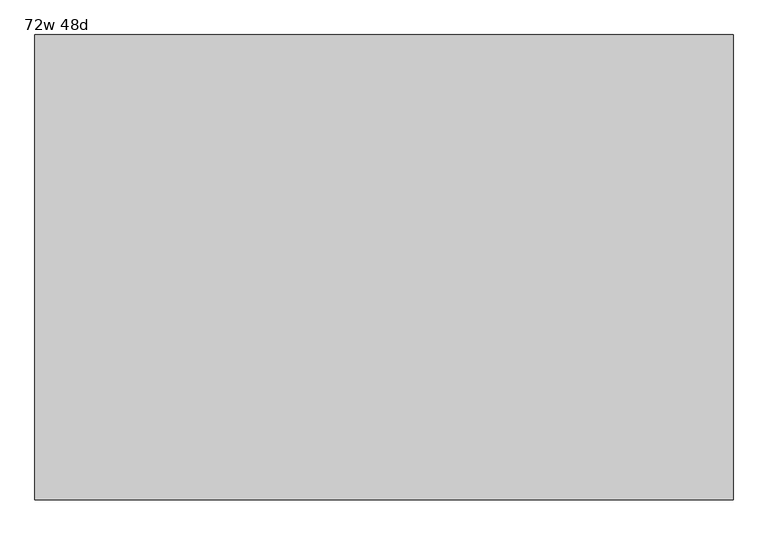
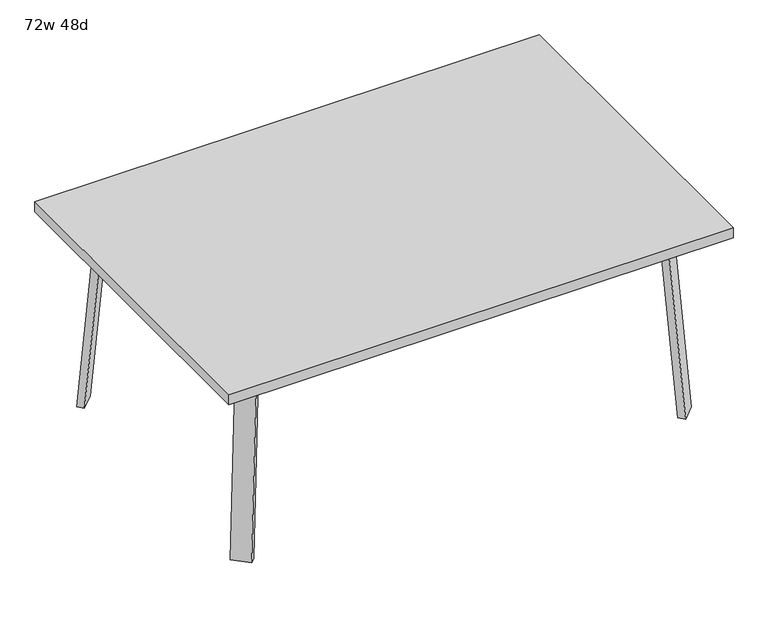
"""IFC4 building model written with IfcOpenShell, lengths in millimetres: furniture geometry, 72w 48d."""

from ifc_helpers import new_model, si_unit, point, frame, frame_2d, origin, place, context, project, spatial, polyline, circle_curve, trimmed, segment, composite_curve, outline, extrude, faceted_brep, source, transform, mapped, element, save


def furniture_72w_48d_a85c133a(model_context):
    return source(origin(), model_context, "Body", "SolidModel", [
        faceted_brep([(606.2753042, -426.4920519, 695.325), (645.7884312, -386.978925, 695.325), (700.9047531, -442.0952469, 695.325), (694.2631053, -448.7368947, 695.325), (633.2160726, -453.4328203, 695.325), (753.5368947, -389.4631053, 695.325), (747.6020849, -395.3979151, 695.325), (692.485763, -340.2815931, 695.325), (731.9988899, -300.7684662, 695.325), (758.9396583, -327.7092346, 695.325), (606.2753042, -426.4920519, 698.5), (633.2160726, -453.4328203, 698.5), (694.2631053, -448.7368947, 698.5), (753.5368947, -389.4631053, 698.5), (758.9396583, -327.7092346, 698.5), (731.9988899, -300.7684662, 698.5), (700.9047531, -442.0952469, 673.1), (747.6020849, -395.3979151, 673.1), (656.0034725, -397.1939663, 673.1), (702.7008043, -350.4966345, 673.1)], [[[0, 1, 2, 3, 4]], [[5, 6, 7, 8, 9]], [[10, 11, 12, 13, 14, 15]], [[4, 11, 10, 0]], [[3, 12, 11, 4]], [[12, 3, 2, 16, 17, 6, 5, 13]], [[9, 14, 13, 5]], [[8, 15, 14, 9]], [[15, 8, 7, 1, 0, 10]], [[2, 1, 18, 16]], [[7, 6, 17, 19]], [[18, 19, 17, 16]], [[1, 7, 19, 18]]]),
        extrude(outline(composite_curve([segment(polyline([(-698.9257667, 0.0), (-704.4601563, 63.2583633), (-679.156811, 65.4721192), (-677.172355, 42.7896831)]), True, "CONTINUOUS"), segment(trimmed(circle_curve(frame_2d((-658.194846, 44.45)), 19.05), [point((-677.172355, 42.7896831))], [point((-658.194846, 25.4))], True, "CARTESIAN"), True, "CONTINUOUS"), segment(polyline([(-658.194846, 25.4), (0.0201778, 25.4), (2.2423899, 0.0), (-698.9257667, 0.0)]), True, "CONTINUOUS")], self_intersect=False)), frame((787.1792647, -531.7706733, 2.2338569), z_axis=(0.7071067811865512, 0.707106781186544, 0.0), x_axis=(0.06162841671622733, -0.06162841671621349, -0.9961946980917454)), (0.0, 0.0, 1.0), 69.85),
        faceted_brep([(606.2753042, 426.4920519, 695.325), (633.2160726, 453.4328203, 695.325), (694.2631053, 448.7368947, 695.325), (700.9047531, 442.0952469, 695.325), (645.7884312, 386.978925, 695.325), (753.5368947, 389.4631053, 695.325), (758.9396583, 327.7092346, 695.325), (731.9988899, 300.7684662, 695.325), (692.485763, 340.2815931, 695.325), (747.6020849, 395.3979151, 695.325), (606.2753042, 426.4920519, 698.5), (731.9988899, 300.7684662, 698.5), (758.9396583, 327.7092346, 698.5), (753.5368947, 389.4631053, 698.5), (694.2631053, 448.7368947, 698.5), (633.2160726, 453.4328203, 698.5), (747.6020849, 395.3979151, 673.1), (700.9047531, 442.0952469, 673.1), (656.0034725, 397.1939663, 673.1), (702.7008043, 350.4966345, 673.1)], [[[0, 1, 2, 3, 4]], [[5, 6, 7, 8, 9]], [[10, 11, 12, 13, 14, 15]], [[1, 0, 10, 15]], [[2, 1, 15, 14]], [[14, 13, 5, 9, 16, 17, 3, 2]], [[6, 5, 13, 12]], [[7, 6, 12, 11]], [[11, 10, 0, 4, 8, 7]], [[3, 17, 18, 4]], [[8, 19, 16, 9]], [[18, 17, 16, 19]], [[4, 18, 19, 8]]]),
        extrude(outline(composite_curve([segment(polyline([(698.9257667, 0.0), (704.4601563, -63.2583633), (679.156811, -65.4721192), (677.172355, -42.7896831)]), True, "CONTINUOUS"), segment(trimmed(circle_curve(frame_2d((658.194846, -44.45)), 19.05), [point((677.172355, -42.7896831))], [point((658.194846, -25.4))], True, "CARTESIAN"), True, "CONTINUOUS"), segment(polyline([(658.194846, -25.4), (-0.0201778, -25.4), (-2.2423899, 0.0), (698.9257667, 0.0)]), True, "CONTINUOUS")], self_intersect=False)), frame((836.5706733, 482.3792647, 2.2338569), z_axis=(-0.7071067811865512, 0.707106781186544, 0.0), x_axis=(-0.06162841671622733, -0.06162841671621349, 0.9961946980917454)), (0.0, 0.0, 1.0), 69.85),
        faceted_brep([(-606.2753042, 426.4920519, 695.325), (-645.7884312, 386.978925, 695.325), (-700.9047531, 442.0952469, 695.325), (-694.2631053, 448.7368947, 695.325), (-633.2160726, 453.4328203, 695.325), (-753.5368947, 389.4631053, 695.325), (-747.6020849, 395.3979151, 695.325), (-692.485763, 340.2815931, 695.325), (-731.9988899, 300.7684662, 695.325), (-758.9396583, 327.7092346, 695.325), (-606.2753042, 426.4920519, 698.5), (-633.2160726, 453.4328203, 698.5), (-694.2631053, 448.7368947, 698.5), (-753.5368947, 389.4631053, 698.5), (-758.9396583, 327.7092346, 698.5), (-731.9988899, 300.7684662, 698.5), (-700.9047531, 442.0952469, 673.1), (-747.6020849, 395.3979151, 673.1), (-656.0034725, 397.1939663, 673.1), (-702.7008043, 350.4966345, 673.1)], [[[0, 1, 2, 3, 4]], [[5, 6, 7, 8, 9]], [[10, 11, 12, 13, 14, 15]], [[4, 11, 10, 0]], [[3, 12, 11, 4]], [[12, 3, 2, 16, 17, 6, 5, 13]], [[9, 14, 13, 5]], [[8, 15, 14, 9]], [[15, 8, 7, 1, 0, 10]], [[2, 1, 18, 16]], [[7, 6, 17, 19]], [[18, 19, 17, 16]], [[1, 7, 19, 18]]]),
        extrude(outline(composite_curve([segment(polyline([(698.9257667, 0.0), (-2.2423899, 0.0), (-0.0201778, 25.4), (658.194846, 25.4)]), True, "CONTINUOUS"), segment(trimmed(circle_curve(frame_2d((658.194846, 44.45)), 19.05), [point((658.194846, 25.4))], [point((677.172355, 42.7896831))], True, "CARTESIAN"), True, "CONTINUOUS"), segment(polyline([(677.172355, 42.7896831), (679.156811, 65.4721192), (704.4601563, 63.2583633), (698.9257667, 0.0)]), True, "CONTINUOUS")], self_intersect=False)), frame((-836.5706733, 482.3792647, 2.2338569), z_axis=(0.7071067811865512, 0.707106781186544, 0.0), x_axis=(0.06162841671622733, -0.06162841671621349, 0.9961946980917454)), (0.0, 0.0, 1.0), 69.85),
        faceted_brep([(-606.2753042, -426.4920519, 695.325), (-633.2160726, -453.4328203, 695.325), (-694.2631053, -448.7368947, 695.325), (-700.9047531, -442.0952469, 695.325), (-645.7884312, -386.978925, 695.325), (-753.5368947, -389.4631053, 695.325), (-758.9396583, -327.7092346, 695.325), (-731.9988899, -300.7684662, 695.325), (-692.485763, -340.2815931, 695.325), (-747.6020849, -395.3979151, 695.325), (-606.2753042, -426.4920519, 698.5), (-731.9988899, -300.7684662, 698.5), (-758.9396583, -327.7092346, 698.5), (-753.5368947, -389.4631053, 698.5), (-694.2631053, -448.7368947, 698.5), (-633.2160726, -453.4328203, 698.5), (-747.6020849, -395.3979151, 673.1), (-700.9047531, -442.0952469, 673.1), (-656.0034725, -397.1939663, 673.1), (-702.7008043, -350.4966345, 673.1)], [[[0, 1, 2, 3, 4]], [[5, 6, 7, 8, 9]], [[10, 11, 12, 13, 14, 15]], [[1, 0, 10, 15]], [[2, 1, 15, 14]], [[14, 13, 5, 9, 16, 17, 3, 2]], [[6, 5, 13, 12]], [[7, 6, 12, 11]], [[11, 10, 0, 4, 8, 7]], [[3, 17, 18, 4]], [[8, 19, 16, 9]], [[18, 17, 16, 19]], [[4, 18, 19, 8]]]),
        extrude(outline(composite_curve([segment(polyline([(-698.9257667, 0.0), (2.2423899, 0.0), (0.0201778, -25.4), (-658.194846, -25.4)]), True, "CONTINUOUS"), segment(trimmed(circle_curve(frame_2d((-658.194846, -44.45)), 19.05), [point((-658.194846, -25.4))], [point((-677.172355, -42.7896831))], True, "CARTESIAN"), True, "CONTINUOUS"), segment(polyline([(-677.172355, -42.7896831), (-679.156811, -65.4721192), (-704.4601563, -63.2583633), (-698.9257667, 0.0)]), True, "CONTINUOUS")], self_intersect=False)), frame((-787.1792647, -531.7706733, 2.2338569), z_axis=(-0.7071067811865512, 0.707106781186544, 0.0), x_axis=(-0.06162841671622733, -0.06162841671621349, -0.9961946980917454)), (0.0, 0.0, 1.0), 69.85),
        extrude(outline(polyline([(914.4, 609.6), (914.4, -609.6), (-914.4, -609.6), (-914.4, 609.6), (914.4, 609.6)])), frame((0.0, 0.0, 698.5), z_axis=(0.0, 0.0, 1.0), x_axis=(1.0, 0.0, 0.0)), (0.0, 0.0, 1.0), 38.1),
    ])


if __name__ == "__main__":
    model = new_model("IFC4")
    model_context = context("Model", 3, world=origin())
    ifc_project = project(units=[si_unit("LENGTHUNIT", "METRE", prefix="MILLI")], contexts=[model_context])
    site = spatial("IfcSite", under=ifc_project)
    building = spatial("IfcBuilding", under=site)
    placement = place(None, origin())
    furniture_72w_48d_shape = furniture_72w_48d_a85c133a(model_context)
    element("IfcFurniture", 1, ObjectType="72w 48d", at=placement, inside=building, context=model_context, shape_type="MappedRepresentation", body=[
        mapped(furniture_72w_48d_shape, transform((0.0, 0.0, 0.0), x_axis=(1.0, 0.0, 0.0), y_axis=(0.0, 1.0, 0.0), z_axis=(0.0, 0.0, 1.0))),
    ])
    save(model, "model.ifc")
